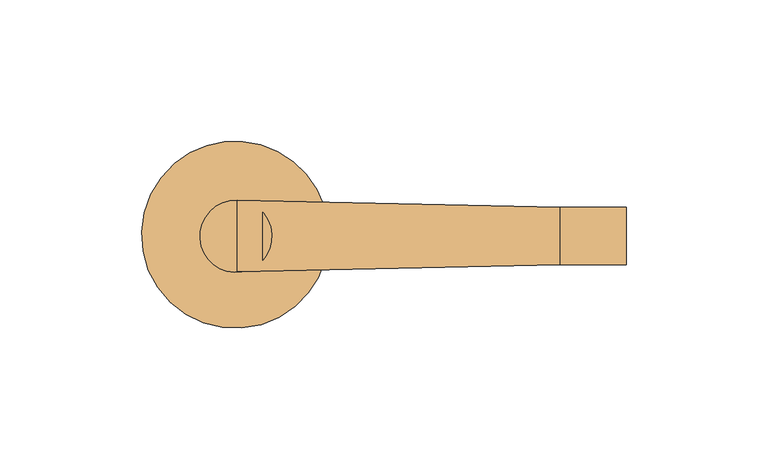
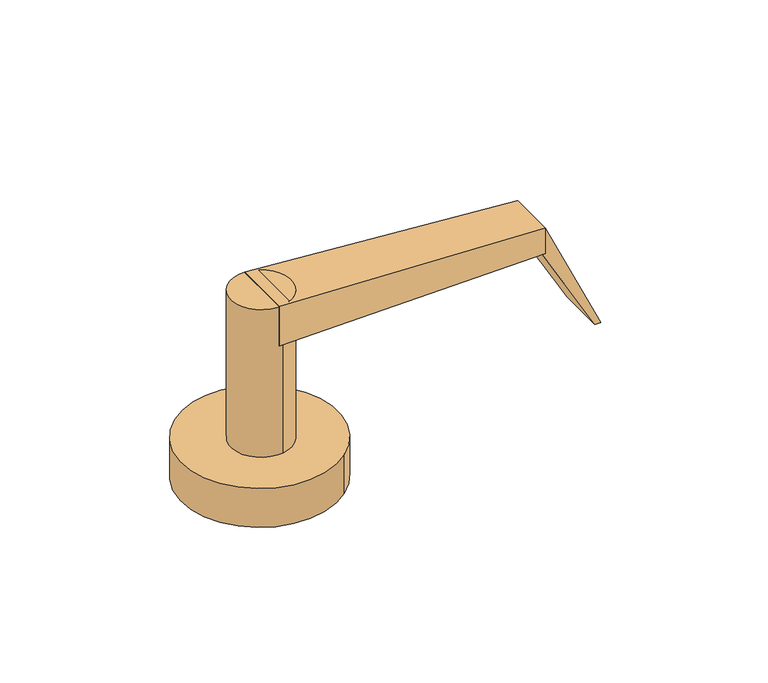
"""IFC4 building model written with IfcOpenShell, lengths in millimetres: door geometry."""

from ifc_helpers import new_model, si_unit, point, frame, frame_2d, origin, origin_with_axes, place, context, project, spatial, polyline, circle_curve, trimmed, segment, composite_curve, outline, extrude, source, transform, mapped, element, save
from ifc_brep_helpers import plane_surface, spline_surface, advanced_brep


def door_5276f66d(model_context):
    return source(origin(), model_context, "Body", "SolidModel", [
        advanced_brep(
        [(113.0826159, -9.8661661, 77.089), (113.0826159, -9.8661661, 65.659), (113.0826159, 10.4783486, 65.659), (113.0826159, 10.4783486, 77.089), (-0.79375, -12.3783123, 83.439), (-0.79375, 13.0118705, 83.439), (-0.79375, 13.0089229, 65.659), (-0.79375, -12.378509, 65.659)],
        [
            (0, 1),
            (1, 2),
            (2, 3),
            (3, 0),
            (4, 5),
            (5, 6),
            (6, 7),
            (7, 4),
            (7, 1),
            (0, 4),
            (6, 2),
            (5, 3),
        ],
        [
            plane_surface(frame((113.0826159, 0.3060912, 71.374), z_axis=(1.0, 0.0, 0.0), x_axis=(0.0, -1.0, 0.0))),
            plane_surface(frame((-0.79375, 0.315993, 74.549), z_axis=(-1.0000000000000002, 0.0, 0.0), x_axis=(0.0, -1.1064247386625775e-05, -0.9999999999387913))),
            spline_surface(1, 1, [[(-0.79375, -12.3783123, 83.439), (113.0826159, -9.8661661, 77.089)], [(-0.79375, -12.378509, 65.659), (113.0826159, -9.8661661, 65.659)]], [2, 2], [2, 2], [0.0, 1.0], [0.0, 1.0]),
            plane_surface(frame((-0.79375, 0.315207, 65.659), z_axis=(0.0, 0.0, -1.0), x_axis=(0.0, 1.0, 0.0))),
            spline_surface(1, 1, [[(-0.79375, 13.0089229, 65.659), (113.0826159, 10.4783486, 65.659)], [(-0.79375, 13.0118705, 83.439), (113.0826159, 10.4783486, 77.089)]], [2, 2], [2, 2], [0.0, 1.0], [0.0, 1.0]),
            plane_surface(frame((-0.79375, 0.3167791, 83.439), z_axis=(0.05567573642750613, 0.0, 0.9984489032360419), x_axis=(0.0, -1.0, 0.0))),
        ],
        [
            (0, [[1, 2, 3, 4]]),
            (1, [[5, 6, 7, 8]]),
            (2, [[-8, 9, -1, 10]]),
            (3, [[-7, 11, -2, -9]]),
            (4, [[-6, 12, -3, -11]]),
            (5, [[-5, -10, -4, -12]]),
        ],
    ),
        extrude(outline(composite_curve([segment(trimmed(circle_curve(frame_2d((-1.3064074, 0.1984375)), 12.7), [point((-3.427265, 12.7200973))], [point((0.8144502, -12.3232223))], False, "CARTESIAN"), True, "CONTINUOUS"), segment(trimmed(circle_curve(frame_2d((-1.3064074, 0.1984375)), 12.7), [point((0.8144502, -12.3232223))], [point((-3.427265, 12.7200973))], False, "CARTESIAN"), True, "CONTINUOUS")], self_intersect=False)), frame((0.0, 0.0, 17.399), z_axis=(0.0, 0.0, 1.0), x_axis=(1.0, 0.0, 0.0)), (0.0, 0.0, 1.0), 66.04),
        extrude(outline(composite_curve([segment(trimmed(circle_curve(frame_2d((-1.6178614, 0.7745191)), 33.02), [point((-22.9508261, 25.9781898))], [point((19.7151032, -24.4291516))], False, "CARTESIAN"), True, "CONTINUOUS"), segment(trimmed(circle_curve(frame_2d((-1.6178614, 0.7745191)), 33.02), [point((19.7151032, -24.4291516))], [point((-22.9508261, 25.9781898))], False, "CARTESIAN"), True, "CONTINUOUS")], self_intersect=False)), origin_with_axes(), (0.0, 0.0, 1.0), 17.399),
        extrude(outline(polyline([(77.089, 113.0826159), (65.659, 113.0826159), (65.659, 111.7545147), (26.5862634, 134.0924288), (26.5862634, 136.6324288), (77.089, 113.0826159)])), frame((0.0, -9.8416514, 0.0), z_axis=(0.0, 1.0, 0.0), x_axis=(0.0, 0.0, 1.0)), (0.0, 0.0, 1.0), 20.32),
    ])


if __name__ == "__main__":
    model = new_model("IFC4")
    model_context = context("Model", 3, world=origin())
    ifc_project = project(units=[si_unit("LENGTHUNIT", "METRE", prefix="MILLI")], contexts=[model_context])
    site = spatial("IfcSite", under=ifc_project)
    building = spatial("IfcBuilding", under=site)
    placement = place(None, origin())
    door_shape = door_5276f66d(model_context)
    element("IfcDoor", 1, at=placement, inside=building, context=model_context, shape_type="MappedRepresentation", body=[
        mapped(door_shape, transform((0.0, 0.0, 0.0), x_axis=(1.0, 0.0, 0.0), y_axis=(0.0, 1.0, 0.0), z_axis=(0.0, 0.0, 1.0))),
    ])
    save(model, "model.ifc")
